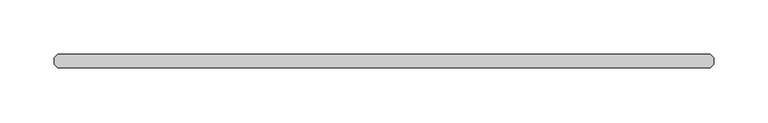
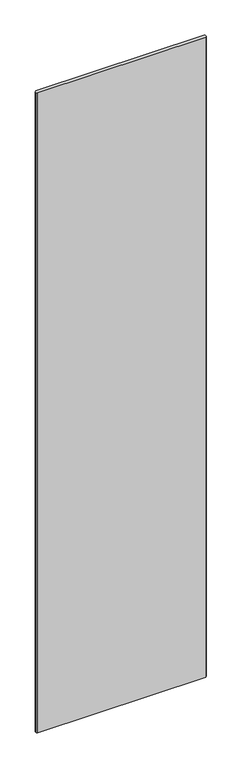
"""IFC4 building model written with IfcOpenShell, lengths in millimetres: plate geometry."""

from ifc_helpers import new_model, si_unit, origin, origin_with_axes, place, context, project, spatial, polyline, outline, extrude, source, transform, mapped, element, save


def plate_c7cbbb66(model_context):
    return source(origin(), model_context, "Body", "SweptSolid", [
        extrude(outline(polyline([(301.228125, 6.35), (304.403125, 3.175), (304.403125, -3.175), (301.228125, -6.35), (-301.228125, -6.35), (-304.403125, -3.175), (-304.403125, 3.175), (-301.228125, 6.35), (301.228125, 6.35)])), origin_with_axes(), (0.0, 0.0, 1.0), 2427.1914267),
    ])


if __name__ == "__main__":
    model = new_model("IFC4")
    model_context = context("Model", 3, world=origin())
    ifc_project = project(units=[si_unit("LENGTHUNIT", "METRE", prefix="MILLI")], contexts=[model_context])
    site = spatial("IfcSite", under=ifc_project)
    building = spatial("IfcBuilding", under=site)
    placement = place(None, origin())
    plate_shape = plate_c7cbbb66(model_context)
    element("IfcPlate", 1, at=placement, inside=building, context=model_context, shape_type="MappedRepresentation", body=[
        mapped(plate_shape, transform((0.0, 0.0, 0.0), x_axis=(1.0, 0.0, 0.0), y_axis=(0.0, 1.0, 0.0), z_axis=(0.0, 0.0, 1.0))),
    ])
    save(model, "model.ifc")
